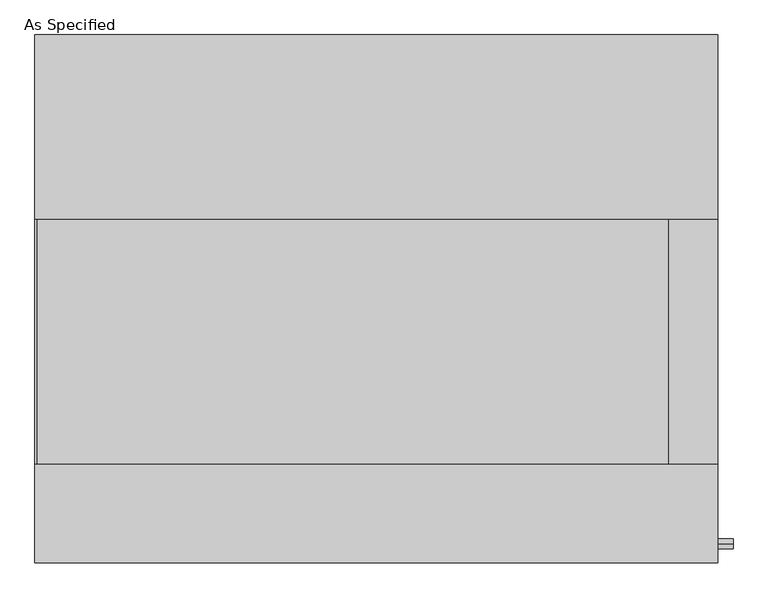
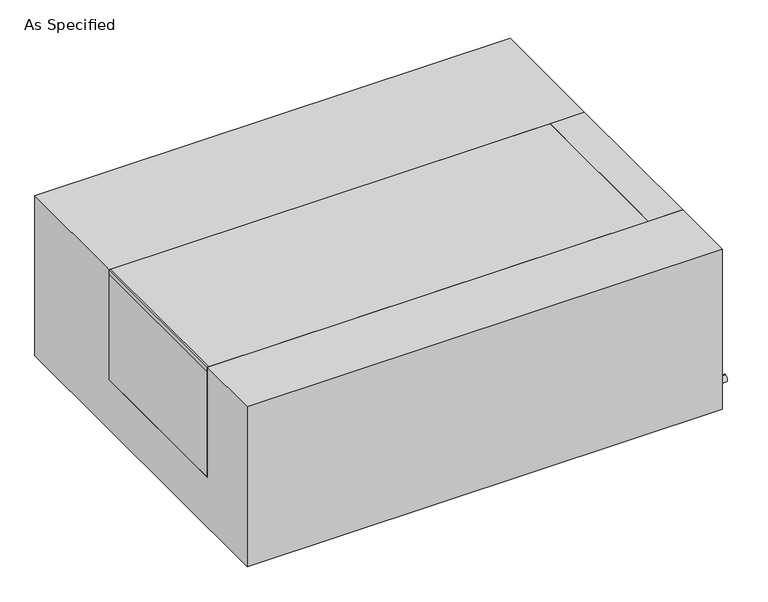
"""IFC4 building model written with IfcOpenShell, lengths in millimetres: proxy geometry, As Specified."""

from ifc_helpers import new_model, si_unit, point, frame, frame_2d, origin, place, context, project, spatial, polyline, circle_curve, trimmed, segment, composite_curve, outline, extrude, source, transform, mapped, element, save


def as_specified_2bc9c7cf(model_context):
    return source(origin(), model_context, "Body", "SweptSolid", [
        extrude(outline(composite_curve([segment(trimmed(circle_curve(frame_2d((-509.5875, -466.725)), 10.5), [point((-509.5875, -456.225))], [point((-509.5875, -477.225))], False, "CARTESIAN"), True, "CONTINUOUS"), segment(trimmed(circle_curve(frame_2d((-509.5875, -466.725)), 10.5), [point((-509.5875, -477.225))], [point((-509.5875, -456.225))], False, "CARTESIAN"), True, "CONTINUOUS")], self_intersect=False)), frame((709.6125, 0.0, 0.0), z_axis=(1.0, 0.0, 0.0), x_axis=(0.0, 1.0, 0.0)), (0.0, 0.0, 1.0), 31.8403384),
        extrude(outline(polyline([(607.21875, -342.9), (607.21875, 165.1), (709.6125, 165.1), (709.6125, -342.9), (607.21875, -342.9)])), frame((0.0, 0.0, -373.0625), z_axis=(0.0, 0.0, 1.0), x_axis=(1.0, 0.0, 0.0)), (0.0, 0.0, 1.0), 347.6625),
        extrude(outline(polyline([(-705.64375, -342.9), (-709.6125, -342.9), (-709.6125, 165.1), (-705.64375, 165.1), (-705.64375, -342.9)])), frame((0.0, 0.0, -39.6875), z_axis=(0.0, 0.0, 1.0), x_axis=(1.0, 0.0, 0.0)), (0.0, 0.0, 1.0), 14.2875),
        extrude(outline(polyline([(607.21875, 165.1), (607.21875, -342.9), (-709.6125, -342.9), (-709.6125, 165.1), (607.21875, 165.1)])), frame((0.0, 0.0, -373.0625), z_axis=(0.0, 0.0, 1.0), x_axis=(1.0, 0.0, 0.0)), (0.0, 0.0, 1.0), 347.6625),
        extrude(outline(polyline([(549.275, -25.4), (549.275, -530.225), (-549.275, -530.225), (-549.275, -25.4), (-342.9, -25.4), (-342.9, -373.0625), (165.1, -373.0625), (165.1, -25.4), (549.275, -25.4)])), frame((-709.6125, 0.0, 0.0), z_axis=(1.0, 0.0, 0.0), x_axis=(0.0, 1.0, 0.0)), (0.0, 0.0, 1.0), 1419.225),
    ])


if __name__ == "__main__":
    model = new_model("IFC4")
    model_context = context("Model", 3, world=origin())
    ifc_project = project(units=[si_unit("LENGTHUNIT", "METRE", prefix="MILLI")], contexts=[model_context])
    site = spatial("IfcSite", under=ifc_project)
    building = spatial("IfcBuilding", under=site)
    placement = place(None, origin())
    as_specified_shape = as_specified_2bc9c7cf(model_context)
    element("IfcBuildingElementProxy", 1, Name="As Specified", ObjectType="As Specified", at=placement, inside=building, context=model_context, shape_type="MappedRepresentation", body=[
        mapped(as_specified_shape, transform((0.0, 0.0, 0.0), x_axis=(1.0, 0.0, 0.0), y_axis=(0.0, 1.0, 0.0), z_axis=(0.0, 0.0, 1.0))),
    ])
    save(model, "model.ifc")
